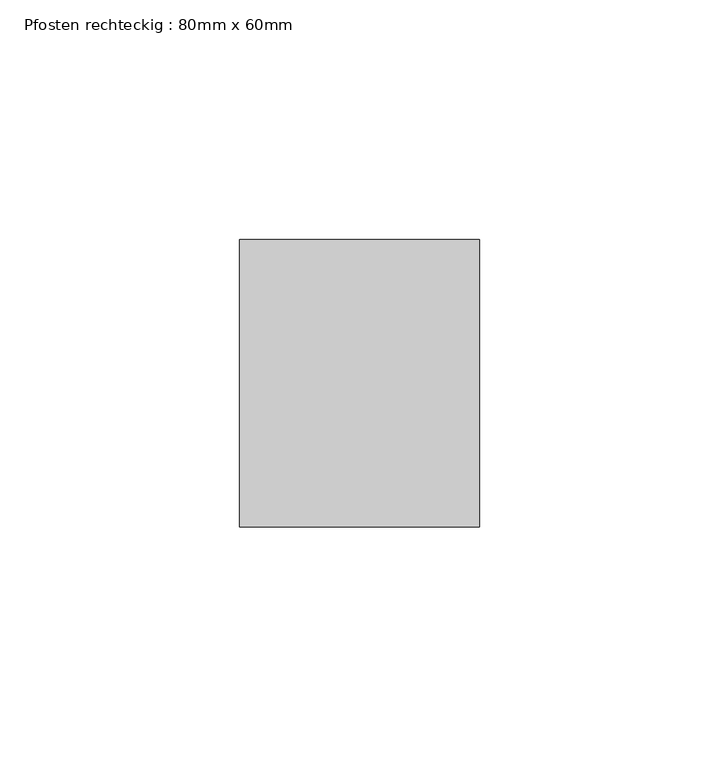
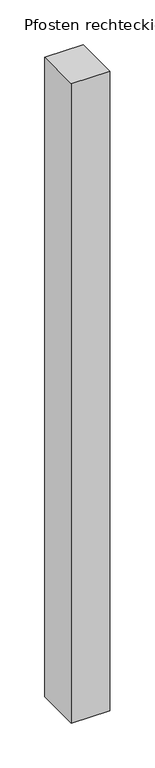
"""IFC4 building model written with IfcOpenShell, lengths in millimetres: member geometry, Pfosten rechteckig : 80mm x 60mm."""

from ifc_helpers import new_model, si_unit, frame, origin, place, context, project, spatial, polyline, outline, extrude, source, transform, mapped, element, save


def pfosten_rechteckig_80mm_x_60mm_1b9b5dba(model_context):
    return source(origin(), model_context, "Body", "SweptSolid", [
        extrude(outline(polyline([(0.0, 30.0), (0.0, -30.0), (-50.0, -30.0), (-50.0, 30.0), (0.0, 30.0)])), frame((0.0, 0.0, -875.0), z_axis=(0.0, 0.0, 1.0), x_axis=(1.0, 0.0, 0.0)), (0.0, 0.0, 1.0), 875.0),
    ])


if __name__ == "__main__":
    model = new_model("IFC4")
    model_context = context("Model", 3, world=origin())
    ifc_project = project(units=[si_unit("LENGTHUNIT", "METRE", prefix="MILLI")], contexts=[model_context])
    site = spatial("IfcSite", under=ifc_project)
    building = spatial("IfcBuilding", under=site)
    placement = place(None, origin())
    pfosten_rechteckig_80mm_x_60mm_shape = pfosten_rechteckig_80mm_x_60mm_1b9b5dba(model_context)
    element("IfcMember", 1, ObjectType="Pfosten rechteckig : 80mm x 60mm", at=placement, inside=building, context=model_context, shape_type="MappedRepresentation", body=[
        mapped(pfosten_rechteckig_80mm_x_60mm_shape, transform((0.0, 0.0, 0.0), x_axis=(1.0, 0.0, 0.0), y_axis=(0.0, 1.0, 0.0), z_axis=(0.0, 0.0, 1.0))),
    ])
    save(model, "model.ifc")
